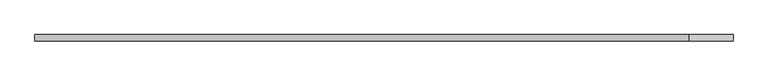
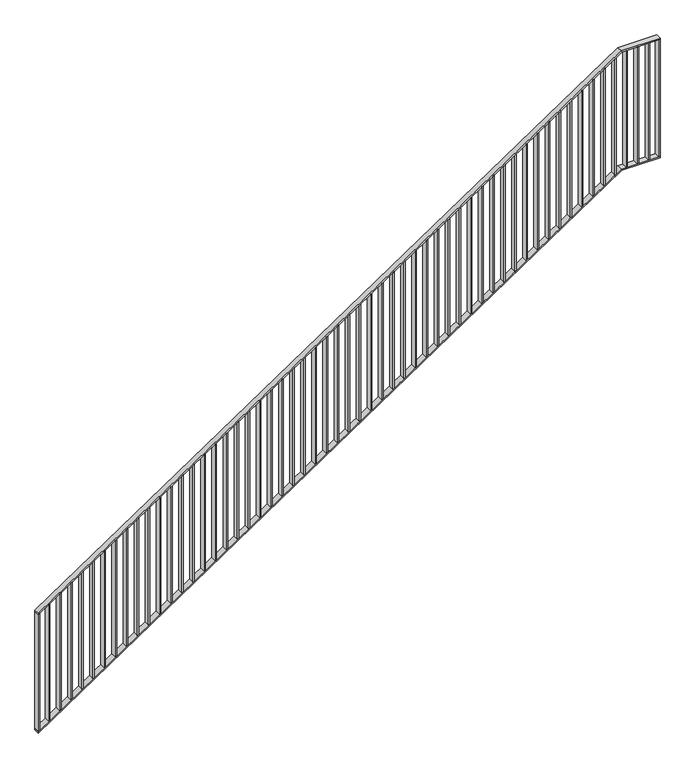
"""IFC4 building model written with IfcOpenShell, lengths in millimetres: railing geometry."""

from ifc_helpers import new_model, si_unit, frame, origin, place, context, project, spatial, polyline, outline, extrude, faceted_brep, source, transform, mapped, element, save


def railing_09ecb0be(model_context):
    return source(origin(), model_context, "Body", "SolidModel", [
        faceted_brep([(5000.0, -79985.4, 1187.5), (5000.0, -79985.4, 1175.4649613), (5000.0, -80025.4, 1175.4649613), (5000.0, -80025.4, 1187.5), (9200.0, -79985.4, 4000.0), (9203.0389911, -79985.4, 3990.0), (9203.0389911, -80025.4, 3990.0), (9200.0, -80025.4, 4000.0), (9480.0, -79985.4, 4000.0), (9480.0, -80025.4, 4000.0), (9480.0, -80025.4, 3990.0), (9480.0, -79985.4, 3990.0)], [[[0, 1, 2, 3]], [[1, 0, 4, 5]], [[2, 1, 5, 6]], [[3, 2, 6, 7]], [[0, 3, 7, 4]], [[8, 9, 10, 11]], [[5, 4, 8, 11]], [[6, 5, 11, 10]], [[7, 6, 10, 9]], [[4, 7, 9, 8]]]),
        faceted_brep([(5000.0, -79985.4, 287.5), (5000.0, -79985.4, 275.4649613), (5000.0, -80025.4, 275.4649613), (5000.0, -80025.4, 287.5), (9200.0, -79985.4, 3100.0), (9203.0389911, -79985.4, 3090.0), (9203.0389911, -80025.4, 3090.0), (9200.0, -80025.4, 3100.0), (9480.0, -79985.4, 3100.0), (9480.0, -80025.4, 3100.0), (9480.0, -80025.4, 3090.0), (9480.0, -79985.4, 3090.0)], [[[0, 1, 2, 3]], [[1, 0, 4, 5]], [[2, 1, 5, 6]], [[3, 2, 6, 7]], [[0, 3, 7, 4]], [[8, 9, 10, 11]], [[5, 4, 8, 11]], [[6, 5, 11, 10]], [[7, 6, 10, 9]], [[4, 7, 9, 8]]]),
        extrude(outline(polyline([(9395.0, -79985.4), (9405.0, -79985.4), (9405.0, -80025.4), (9395.0, -80025.4), (9395.0, -79985.4)])), frame((0.0, 0.0, 3100.0), z_axis=(0.0, 0.0, 1.0), x_axis=(1.0, 0.0, 0.0)), (0.0, 0.0, 1.0), 890.0),
        extrude(outline(polyline([(9315.0, -79985.4), (9325.0, -79985.4), (9325.0, -80025.4), (9315.0, -80025.4), (9315.0, -79985.4)])), frame((0.0, 0.0, 3100.0), z_axis=(0.0, 0.0, 1.0), x_axis=(1.0, 0.0, 0.0)), (0.0, 0.0, 1.0), 890.0),
        extrude(outline(polyline([(9235.0, -79985.4), (9245.0, -79985.4), (9245.0, -80025.4), (9235.0, -80025.4), (9235.0, -79985.4)])), frame((0.0, 0.0, 3100.0), z_axis=(0.0, 0.0, 1.0), x_axis=(1.0, 0.0, 0.0)), (0.0, 0.0, 1.0), 890.0),
        extrude(outline(polyline([(3069.8660714, 9155.0), (3076.5625, 9165.0), (3966.5625, 9165.0), (3959.8660714, 9155.0), (3069.8660714, 9155.0)])), frame((0.0, -80025.4, 0.0), z_axis=(0.0, 1.0, 0.0), x_axis=(0.0, 0.0, 1.0)), (0.0, 0.0, 1.0), 40.0),
        extrude(outline(polyline([(3016.2946429, 9075.0), (3022.9910714, 9085.0), (3912.9910714, 9085.0), (3906.2946429, 9075.0), (3016.2946429, 9075.0)])), frame((0.0, -80025.4, 0.0), z_axis=(0.0, 1.0, 0.0), x_axis=(0.0, 0.0, 1.0)), (0.0, 0.0, 1.0), 40.0),
        extrude(outline(polyline([(2962.7232143, 8995.0), (2969.4196429, 9005.0), (3859.4196429, 9005.0), (3852.7232143, 8995.0), (2962.7232143, 8995.0)])), frame((0.0, -80025.4, 0.0), z_axis=(0.0, 1.0, 0.0), x_axis=(0.0, 0.0, 1.0)), (0.0, 0.0, 1.0), 40.0),
        extrude(outline(polyline([(2909.1517857, 8915.0), (2915.8482143, 8925.0), (3805.8482143, 8925.0), (3799.1517857, 8915.0), (2909.1517857, 8915.0)])), frame((0.0, -80025.4, 0.0), z_axis=(0.0, 1.0, 0.0), x_axis=(0.0, 0.0, 1.0)), (0.0, 0.0, 1.0), 40.0),
        extrude(outline(polyline([(2855.5803571, 8835.0), (2862.2767857, 8845.0), (3752.2767857, 8845.0), (3745.5803571, 8835.0), (2855.5803571, 8835.0)])), frame((0.0, -80025.4, 0.0), z_axis=(0.0, 1.0, 0.0), x_axis=(0.0, 0.0, 1.0)), (0.0, 0.0, 1.0), 40.0),
        extrude(outline(polyline([(2802.0089286, 8755.0), (2808.7053571, 8765.0), (3698.7053571, 8765.0), (3692.0089286, 8755.0), (2802.0089286, 8755.0)])), frame((0.0, -80025.4, 0.0), z_axis=(0.0, 1.0, 0.0), x_axis=(0.0, 0.0, 1.0)), (0.0, 0.0, 1.0), 40.0),
        extrude(outline(polyline([(2748.4375, 8675.0), (2755.1339286, 8685.0), (3645.1339286, 8685.0), (3638.4375, 8675.0), (2748.4375, 8675.0)])), frame((0.0, -80025.4, 0.0), z_axis=(0.0, 1.0, 0.0), x_axis=(0.0, 0.0, 1.0)), (0.0, 0.0, 1.0), 40.0),
        extrude(outline(polyline([(2694.8660714, 8595.0), (2701.5625, 8605.0), (3591.5625, 8605.0), (3584.8660714, 8595.0), (2694.8660714, 8595.0)])), frame((0.0, -80025.4, 0.0), z_axis=(0.0, 1.0, 0.0), x_axis=(0.0, 0.0, 1.0)), (0.0, 0.0, 1.0), 40.0),
        extrude(outline(polyline([(2641.2946429, 8515.0), (2647.9910714, 8525.0), (3537.9910714, 8525.0), (3531.2946429, 8515.0), (2641.2946429, 8515.0)])), frame((0.0, -80025.4, 0.0), z_axis=(0.0, 1.0, 0.0), x_axis=(0.0, 0.0, 1.0)), (0.0, 0.0, 1.0), 40.0),
        extrude(outline(polyline([(2587.7232143, 8435.0), (2594.4196429, 8445.0), (3484.4196429, 8445.0), (3477.7232143, 8435.0), (2587.7232143, 8435.0)])), frame((0.0, -80025.4, 0.0), z_axis=(0.0, 1.0, 0.0), x_axis=(0.0, 0.0, 1.0)), (0.0, 0.0, 1.0), 40.0),
        extrude(outline(polyline([(2534.1517857, 8355.0), (2540.8482143, 8365.0), (3430.8482143, 8365.0), (3424.1517857, 8355.0), (2534.1517857, 8355.0)])), frame((0.0, -80025.4, 0.0), z_axis=(0.0, 1.0, 0.0), x_axis=(0.0, 0.0, 1.0)), (0.0, 0.0, 1.0), 40.0),
        extrude(outline(polyline([(2480.5803571, 8275.0), (2487.2767857, 8285.0), (3377.2767857, 8285.0), (3370.5803571, 8275.0), (2480.5803571, 8275.0)])), frame((0.0, -80025.4, 0.0), z_axis=(0.0, 1.0, 0.0), x_axis=(0.0, 0.0, 1.0)), (0.0, 0.0, 1.0), 40.0),
        extrude(outline(polyline([(2427.0089286, 8195.0), (2433.7053571, 8205.0), (3323.7053571, 8205.0), (3317.0089286, 8195.0), (2427.0089286, 8195.0)])), frame((0.0, -80025.4, 0.0), z_axis=(0.0, 1.0, 0.0), x_axis=(0.0, 0.0, 1.0)), (0.0, 0.0, 1.0), 40.0),
        extrude(outline(polyline([(2373.4375, 8115.0), (2380.1339286, 8125.0), (3270.1339286, 8125.0), (3263.4375, 8115.0), (2373.4375, 8115.0)])), frame((0.0, -80025.4, 0.0), z_axis=(0.0, 1.0, 0.0), x_axis=(0.0, 0.0, 1.0)), (0.0, 0.0, 1.0), 40.0),
        extrude(outline(polyline([(2319.8660714, 8035.0), (2326.5625, 8045.0), (3216.5625, 8045.0), (3209.8660714, 8035.0), (2319.8660714, 8035.0)])), frame((0.0, -80025.4, 0.0), z_axis=(0.0, 1.0, 0.0), x_axis=(0.0, 0.0, 1.0)), (0.0, 0.0, 1.0), 40.0),
        extrude(outline(polyline([(2266.2946429, 7955.0), (2272.9910714, 7965.0), (3162.9910714, 7965.0), (3156.2946429, 7955.0), (2266.2946429, 7955.0)])), frame((0.0, -80025.4, 0.0), z_axis=(0.0, 1.0, 0.0), x_axis=(0.0, 0.0, 1.0)), (0.0, 0.0, 1.0), 40.0),
        extrude(outline(polyline([(2212.7232143, 7875.0), (2219.4196429, 7885.0), (3109.4196429, 7885.0), (3102.7232143, 7875.0), (2212.7232143, 7875.0)])), frame((0.0, -80025.4, 0.0), z_axis=(0.0, 1.0, 0.0), x_axis=(0.0, 0.0, 1.0)), (0.0, 0.0, 1.0), 40.0),
        extrude(outline(polyline([(2159.1517857, 7795.0), (2165.8482143, 7805.0), (3055.8482143, 7805.0), (3049.1517857, 7795.0), (2159.1517857, 7795.0)])), frame((0.0, -80025.4, 0.0), z_axis=(0.0, 1.0, 0.0), x_axis=(0.0, 0.0, 1.0)), (0.0, 0.0, 1.0), 40.0),
        extrude(outline(polyline([(2105.5803571, 7715.0), (2112.2767857, 7725.0), (3002.2767857, 7725.0), (2995.5803571, 7715.0), (2105.5803571, 7715.0)])), frame((0.0, -80025.4, 0.0), z_axis=(0.0, 1.0, 0.0), x_axis=(0.0, 0.0, 1.0)), (0.0, 0.0, 1.0), 40.0),
        extrude(outline(polyline([(2052.0089286, 7635.0), (2058.7053571, 7645.0), (2948.7053571, 7645.0), (2942.0089286, 7635.0), (2052.0089286, 7635.0)])), frame((0.0, -80025.4, 0.0), z_axis=(0.0, 1.0, 0.0), x_axis=(0.0, 0.0, 1.0)), (0.0, 0.0, 1.0), 40.0),
        extrude(outline(polyline([(1998.4375, 7555.0), (2005.1339286, 7565.0), (2895.1339286, 7565.0), (2888.4375, 7555.0), (1998.4375, 7555.0)])), frame((0.0, -80025.4, 0.0), z_axis=(0.0, 1.0, 0.0), x_axis=(0.0, 0.0, 1.0)), (0.0, 0.0, 1.0), 40.0),
        extrude(outline(polyline([(1944.8660714, 7475.0), (1951.5625, 7485.0), (2841.5625, 7485.0), (2834.8660714, 7475.0), (1944.8660714, 7475.0)])), frame((0.0, -80025.4, 0.0), z_axis=(0.0, 1.0, 0.0), x_axis=(0.0, 0.0, 1.0)), (0.0, 0.0, 1.0), 40.0),
        extrude(outline(polyline([(1891.2946429, 7395.0), (1897.9910714, 7405.0), (2787.9910714, 7405.0), (2781.2946429, 7395.0), (1891.2946429, 7395.0)])), frame((0.0, -80025.4, 0.0), z_axis=(0.0, 1.0, 0.0), x_axis=(0.0, 0.0, 1.0)), (0.0, 0.0, 1.0), 40.0),
        extrude(outline(polyline([(1837.7232143, 7315.0), (1844.4196429, 7325.0), (2734.4196429, 7325.0), (2727.7232143, 7315.0), (1837.7232143, 7315.0)])), frame((0.0, -80025.4, 0.0), z_axis=(0.0, 1.0, 0.0), x_axis=(0.0, 0.0, 1.0)), (0.0, 0.0, 1.0), 40.0),
        extrude(outline(polyline([(1784.1517857, 7235.0), (1790.8482143, 7245.0), (2680.8482143, 7245.0), (2674.1517857, 7235.0), (1784.1517857, 7235.0)])), frame((0.0, -80025.4, 0.0), z_axis=(0.0, 1.0, 0.0), x_axis=(0.0, 0.0, 1.0)), (0.0, 0.0, 1.0), 40.0),
        extrude(outline(polyline([(1730.5803571, 7155.0), (1737.2767857, 7165.0), (2627.2767857, 7165.0), (2620.5803571, 7155.0), (1730.5803571, 7155.0)])), frame((0.0, -80025.4, 0.0), z_axis=(0.0, 1.0, 0.0), x_axis=(0.0, 0.0, 1.0)), (0.0, 0.0, 1.0), 40.0),
        extrude(outline(polyline([(1677.0089286, 7075.0), (1683.7053571, 7085.0), (2573.7053571, 7085.0), (2567.0089286, 7075.0), (1677.0089286, 7075.0)])), frame((0.0, -80025.4, 0.0), z_axis=(0.0, 1.0, 0.0), x_axis=(0.0, 0.0, 1.0)), (0.0, 0.0, 1.0), 40.0),
        extrude(outline(polyline([(1623.4375, 6995.0), (1630.1339286, 7005.0), (2520.1339286, 7005.0), (2513.4375, 6995.0), (1623.4375, 6995.0)])), frame((0.0, -80025.4, 0.0), z_axis=(0.0, 1.0, 0.0), x_axis=(0.0, 0.0, 1.0)), (0.0, 0.0, 1.0), 40.0),
        extrude(outline(polyline([(1569.8660714, 6915.0), (1576.5625, 6925.0), (2466.5625, 6925.0), (2459.8660714, 6915.0), (1569.8660714, 6915.0)])), frame((0.0, -80025.4, 0.0), z_axis=(0.0, 1.0, 0.0), x_axis=(0.0, 0.0, 1.0)), (0.0, 0.0, 1.0), 40.0),
        extrude(outline(polyline([(1516.2946429, 6835.0), (1522.9910714, 6845.0), (2412.9910714, 6845.0), (2406.2946429, 6835.0), (1516.2946429, 6835.0)])), frame((0.0, -80025.4, 0.0), z_axis=(0.0, 1.0, 0.0), x_axis=(0.0, 0.0, 1.0)), (0.0, 0.0, 1.0), 40.0),
        extrude(outline(polyline([(1462.7232143, 6755.0), (1469.4196429, 6765.0), (2359.4196429, 6765.0), (2352.7232143, 6755.0), (1462.7232143, 6755.0)])), frame((0.0, -80025.4, 0.0), z_axis=(0.0, 1.0, 0.0), x_axis=(0.0, 0.0, 1.0)), (0.0, 0.0, 1.0), 40.0),
        extrude(outline(polyline([(1409.1517857, 6675.0), (1415.8482143, 6685.0), (2305.8482143, 6685.0), (2299.1517857, 6675.0), (1409.1517857, 6675.0)])), frame((0.0, -80025.4, 0.0), z_axis=(0.0, 1.0, 0.0), x_axis=(0.0, 0.0, 1.0)), (0.0, 0.0, 1.0), 40.0),
        extrude(outline(polyline([(1355.5803571, 6595.0), (1362.2767857, 6605.0), (2252.2767857, 6605.0), (2245.5803571, 6595.0), (1355.5803571, 6595.0)])), frame((0.0, -80025.4, 0.0), z_axis=(0.0, 1.0, 0.0), x_axis=(0.0, 0.0, 1.0)), (0.0, 0.0, 1.0), 40.0),
        extrude(outline(polyline([(1302.0089286, 6515.0), (1308.7053571, 6525.0), (2198.7053571, 6525.0), (2192.0089286, 6515.0), (1302.0089286, 6515.0)])), frame((0.0, -80025.4, 0.0), z_axis=(0.0, 1.0, 0.0), x_axis=(0.0, 0.0, 1.0)), (0.0, 0.0, 1.0), 40.0),
        extrude(outline(polyline([(1248.4375, 6435.0), (1255.1339286, 6445.0), (2145.1339286, 6445.0), (2138.4375, 6435.0), (1248.4375, 6435.0)])), frame((0.0, -80025.4, 0.0), z_axis=(0.0, 1.0, 0.0), x_axis=(0.0, 0.0, 1.0)), (0.0, 0.0, 1.0), 40.0),
        extrude(outline(polyline([(1194.8660714, 6355.0), (1201.5625, 6365.0), (2091.5625, 6365.0), (2084.8660714, 6355.0), (1194.8660714, 6355.0)])), frame((0.0, -80025.4, 0.0), z_axis=(0.0, 1.0, 0.0), x_axis=(0.0, 0.0, 1.0)), (0.0, 0.0, 1.0), 40.0),
        extrude(outline(polyline([(1141.2946429, 6275.0), (1147.9910714, 6285.0), (2037.9910714, 6285.0), (2031.2946429, 6275.0), (1141.2946429, 6275.0)])), frame((0.0, -80025.4, 0.0), z_axis=(0.0, 1.0, 0.0), x_axis=(0.0, 0.0, 1.0)), (0.0, 0.0, 1.0), 40.0),
        extrude(outline(polyline([(1087.7232143, 6195.0), (1094.4196429, 6205.0), (1984.4196429, 6205.0), (1977.7232143, 6195.0), (1087.7232143, 6195.0)])), frame((0.0, -80025.4, 0.0), z_axis=(0.0, 1.0, 0.0), x_axis=(0.0, 0.0, 1.0)), (0.0, 0.0, 1.0), 40.0),
        extrude(outline(polyline([(1034.1517857, 6115.0), (1040.8482143, 6125.0), (1930.8482143, 6125.0), (1924.1517857, 6115.0), (1034.1517857, 6115.0)])), frame((0.0, -80025.4, 0.0), z_axis=(0.0, 1.0, 0.0), x_axis=(0.0, 0.0, 1.0)), (0.0, 0.0, 1.0), 40.0),
        extrude(outline(polyline([(980.5803571, 6035.0), (987.2767857, 6045.0), (1877.2767857, 6045.0), (1870.5803571, 6035.0), (980.5803571, 6035.0)])), frame((0.0, -80025.4, 0.0), z_axis=(0.0, 1.0, 0.0), x_axis=(0.0, 0.0, 1.0)), (0.0, 0.0, 1.0), 40.0),
        extrude(outline(polyline([(927.0089286, 5955.0), (933.7053571, 5965.0), (1823.7053571, 5965.0), (1817.0089286, 5955.0), (927.0089286, 5955.0)])), frame((0.0, -80025.4, 0.0), z_axis=(0.0, 1.0, 0.0), x_axis=(0.0, 0.0, 1.0)), (0.0, 0.0, 1.0), 40.0),
        extrude(outline(polyline([(873.4375, 5875.0), (880.1339286, 5885.0), (1770.1339286, 5885.0), (1763.4375, 5875.0), (873.4375, 5875.0)])), frame((0.0, -80025.4, 0.0), z_axis=(0.0, 1.0, 0.0), x_axis=(0.0, 0.0, 1.0)), (0.0, 0.0, 1.0), 40.0),
        extrude(outline(polyline([(819.8660714, 5795.0), (826.5625, 5805.0), (1716.5625, 5805.0), (1709.8660714, 5795.0), (819.8660714, 5795.0)])), frame((0.0, -80025.4, 0.0), z_axis=(0.0, 1.0, 0.0), x_axis=(0.0, 0.0, 1.0)), (0.0, 0.0, 1.0), 40.0),
        extrude(outline(polyline([(766.2946429, 5715.0), (772.9910714, 5725.0), (1662.9910714, 5725.0), (1656.2946429, 5715.0), (766.2946429, 5715.0)])), frame((0.0, -80025.4, 0.0), z_axis=(0.0, 1.0, 0.0), x_axis=(0.0, 0.0, 1.0)), (0.0, 0.0, 1.0), 40.0),
        extrude(outline(polyline([(712.7232143, 5635.0), (719.4196429, 5645.0), (1609.4196429, 5645.0), (1602.7232143, 5635.0), (712.7232143, 5635.0)])), frame((0.0, -80025.4, 0.0), z_axis=(0.0, 1.0, 0.0), x_axis=(0.0, 0.0, 1.0)), (0.0, 0.0, 1.0), 40.0),
        extrude(outline(polyline([(659.1517857, 5555.0), (665.8482143, 5565.0), (1555.8482143, 5565.0), (1549.1517857, 5555.0), (659.1517857, 5555.0)])), frame((0.0, -80025.4, 0.0), z_axis=(0.0, 1.0, 0.0), x_axis=(0.0, 0.0, 1.0)), (0.0, 0.0, 1.0), 40.0),
        extrude(outline(polyline([(605.5803571, 5475.0), (612.2767857, 5485.0), (1502.2767857, 5485.0), (1495.5803571, 5475.0), (605.5803571, 5475.0)])), frame((0.0, -80025.4, 0.0), z_axis=(0.0, 1.0, 0.0), x_axis=(0.0, 0.0, 1.0)), (0.0, 0.0, 1.0), 40.0),
        extrude(outline(polyline([(552.0089286, 5395.0), (558.7053571, 5405.0), (1448.7053571, 5405.0), (1442.0089286, 5395.0), (552.0089286, 5395.0)])), frame((0.0, -80025.4, 0.0), z_axis=(0.0, 1.0, 0.0), x_axis=(0.0, 0.0, 1.0)), (0.0, 0.0, 1.0), 40.0),
        extrude(outline(polyline([(498.4375, 5315.0), (505.1339286, 5325.0), (1395.1339286, 5325.0), (1388.4375, 5315.0), (498.4375, 5315.0)])), frame((0.0, -80025.4, 0.0), z_axis=(0.0, 1.0, 0.0), x_axis=(0.0, 0.0, 1.0)), (0.0, 0.0, 1.0), 40.0),
        extrude(outline(polyline([(444.8660714, 5235.0), (451.5625, 5245.0), (1341.5625, 5245.0), (1334.8660714, 5235.0), (444.8660714, 5235.0)])), frame((0.0, -80025.4, 0.0), z_axis=(0.0, 1.0, 0.0), x_axis=(0.0, 0.0, 1.0)), (0.0, 0.0, 1.0), 40.0),
        extrude(outline(polyline([(391.2946429, 5155.0), (397.9910714, 5165.0), (1287.9910714, 5165.0), (1281.2946429, 5155.0), (391.2946429, 5155.0)])), frame((0.0, -80025.4, 0.0), z_axis=(0.0, 1.0, 0.0), x_axis=(0.0, 0.0, 1.0)), (0.0, 0.0, 1.0), 40.0),
        extrude(outline(polyline([(337.7232143, 5075.0), (344.4196429, 5085.0), (1234.4196429, 5085.0), (1227.7232143, 5075.0), (337.7232143, 5075.0)])), frame((0.0, -80025.4, 0.0), z_axis=(0.0, 1.0, 0.0), x_axis=(0.0, 0.0, 1.0)), (0.0, 0.0, 1.0), 40.0),
        extrude(outline(polyline([(9470.0, -79985.4), (9480.0, -79985.4), (9480.0, -80025.4), (9470.0, -80025.4), (9470.0, -79985.4)])), frame((0.0, 0.0, 3100.0), z_axis=(0.0, 0.0, 1.0), x_axis=(1.0, 0.0, 0.0)), (0.0, 0.0, 1.0), 890.0),
        extrude(outline(polyline([(287.5, 5000.0), (294.1964286, 5010.0), (1184.1964286, 5010.0), (1177.5, 5000.0), (287.5, 5000.0)])), frame((0.0, -80025.4, 0.0), z_axis=(0.0, 1.0, 0.0), x_axis=(0.0, 0.0, 1.0)), (0.0, 0.0, 1.0), 40.0),
    ])


if __name__ == "__main__":
    model = new_model("IFC4")
    model_context = context("Model", 3, world=origin())
    ifc_project = project(units=[si_unit("LENGTHUNIT", "METRE", prefix="MILLI")], contexts=[model_context])
    site = spatial("IfcSite", under=ifc_project)
    building = spatial("IfcBuilding", under=site)
    placement = place(None, origin())
    railing_shape = railing_09ecb0be(model_context)
    element("IfcRailing", 1, at=placement, inside=building, context=model_context, shape_type="MappedRepresentation", body=[
        mapped(railing_shape, transform((0.0, 0.0, 0.0), x_axis=(1.0, 0.0, 0.0), y_axis=(0.0, 1.0, 0.0), z_axis=(0.0, 0.0, 1.0))),
    ])
    save(model, "model.ifc")
